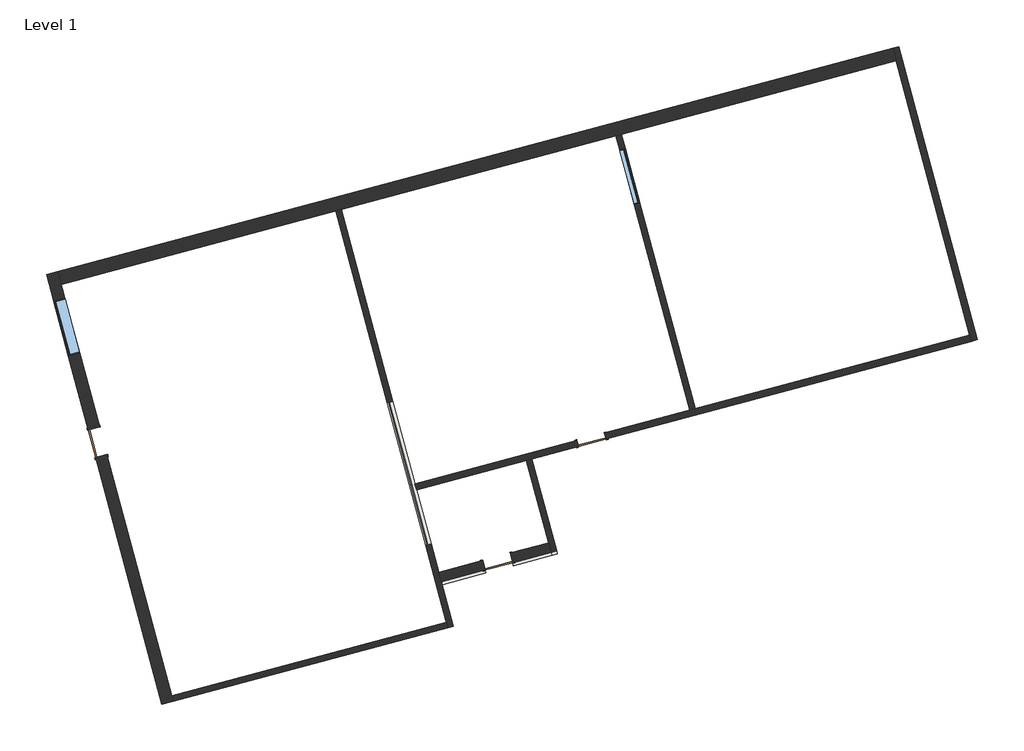
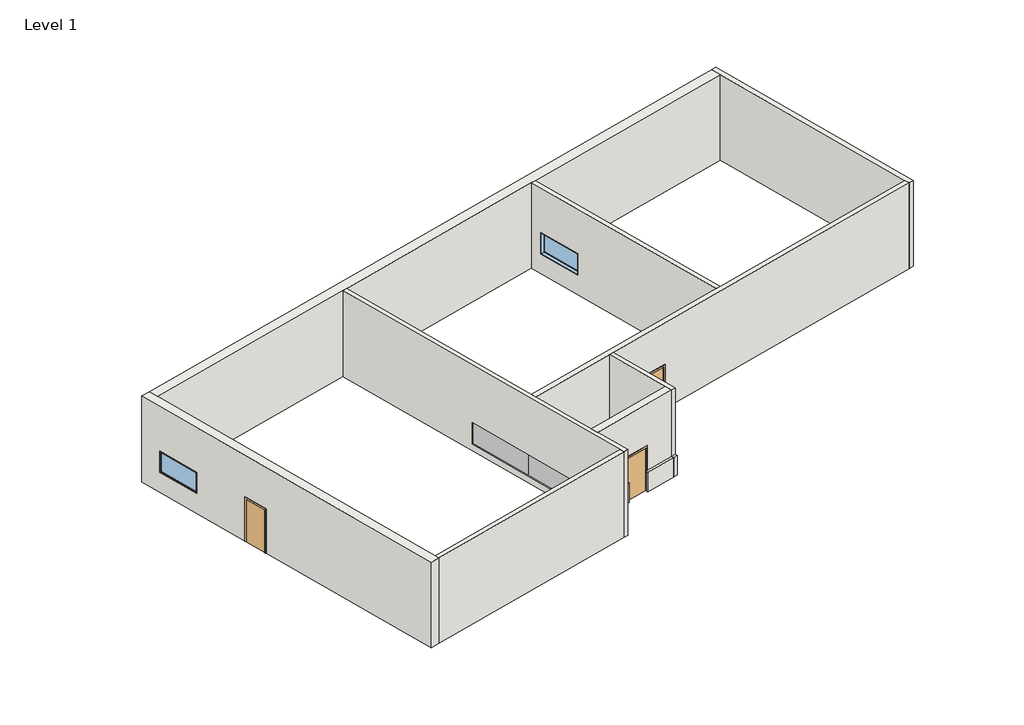
# One storey: 10 walls, 3 doors, 2 plates, 2 windows.
"""IFC4 building model written with IfcOpenShell, lengths in millimetres."""

import ifcopenshell
import ifcopenshell.guid

model = None  # the IFC model being written
_history = None  # IfcOwnerHistory: only IFC2X3 demands one
_inside = {}  # id of a spatial element -> (the spatial element, [elements in it])
_under = {}  # id of a project, library or spatial element -> (it, [spatial elements below it])
_declared = {}  # id of a project -> (the project, [libraries it declares])
_typed = {}  # id of a type object -> (the type object, [elements of that type])
_made_of = {}  # id of a material, layer set ... -> (it, [elements and type objects made of it])


def new_model(schema):
    """Start an empty IFC model of exactly this schema.

    Asked for "IFC4X3", IfcOpenShell would pick the latest addendum, in which some entities
    have other attributes; the version numbers below select the first issue.
    IFC2X3 requires an IfcOwnerHistory on every rooted entity: one is made here for all.
    """
    global model, _history
    if schema == "IFC4X3":
        model = ifcopenshell.file(schema_version=(4, 3, 0, 0))
    else:
        model = ifcopenshell.file(schema=schema)
    _inside.clear()
    _under.clear()
    _declared.clear()
    _typed.clear()
    _made_of.clear()
    _history = None
    if model.schema == "IFC2X3":
        org = make("IfcOrganization", Name="unknown")
        user = make(
            "IfcPersonAndOrganization",
            ThePerson=make("IfcPerson", FamilyName="unknown"),
            TheOrganization=org,
        )
        app = make(
            "IfcApplication",
            ApplicationDeveloper=org,
            Version="unknown",
            ApplicationFullName="unknown",
            ApplicationIdentifier="unknown",
        )
        _history = make(
            "IfcOwnerHistory",
            OwningUser=user,
            OwningApplication=app,
            ChangeAction="ADDED",
            CreationDate=0,
        )
    return model


def make(cls, **values):
    """One entity of the class cls with the attributes given. An attribute that is None is left unset."""
    return model.create_entity(
        cls, **{name: value for name, value in values.items() if value is not None}
    )


def rooted(cls, **values):
    """An entity with a GlobalId (a new one), such as an element, a storey or a relation."""
    return make(cls, GlobalId=ifcopenshell.guid.new(), OwnerHistory=_history, **values)


def si_unit(unit_type, name, prefix=None):
    """IfcSIUnit, for example si_unit("LENGTHUNIT", "METRE", prefix="MILLI")."""
    return make("IfcSIUnit", UnitType=unit_type, Prefix=prefix, Name=name)


def assignment(units):
    """IfcUnitAssignment: the units of a project."""
    return None if units is None else make("IfcUnitAssignment", Units=units)


def point(xyz):
    """IfcCartesianPoint."""
    return None if xyz is None else make("IfcCartesianPoint", Coordinates=xyz)


def direction(xyz):
    """IfcDirection."""
    return None if xyz is None else make("IfcDirection", DirectionRatios=xyz)


def frame(location, z_axis=None, x_axis=None):
    """IfcAxis2Placement3D, a coordinate frame: its origin and axes. An axis left out is left unset."""
    return make(
        "IfcAxis2Placement3D",
        Location=point(location),
        Axis=direction(z_axis),
        RefDirection=direction(x_axis),
    )


def origin():
    """The frame at (0, 0, 0) with its axes left unset."""
    return frame((0.0, 0.0, 0.0))


def origin_with_axes():
    """The frame at (0, 0, 0) with the z axis (0, 0, 1) and the x axis (1, 0, 0) written out."""
    return frame((0.0, 0.0, 0.0), z_axis=(0.0, 0.0, 1.0), x_axis=(1.0, 0.0, 0.0))


def place(relative_to, where):
    """IfcLocalPlacement: puts the frame where relative to a parent placement (None: the world)."""
    return make(
        "IfcLocalPlacement", PlacementRelTo=relative_to, RelativePlacement=where
    )


def context(
    kind, dimensions, precision=None, world=None, true_north=None, identifier=None
):
    """IfcGeometricRepresentationContext, for example the 3D "Model" context."""
    return make(
        "IfcGeometricRepresentationContext",
        ContextIdentifier=identifier,
        ContextType=kind,
        CoordinateSpaceDimension=dimensions,
        Precision=precision,
        WorldCoordinateSystem=world,
        TrueNorth=true_north,
    )


def project(units=None, contexts=None):
    """IfcProject with its units and contexts."""
    return rooted(
        "IfcProject",
        Name="project",
        RepresentationContexts=contexts,
        UnitsInContext=assignment(units),
    )


def spatial(cls, under=None, at=None, **own):
    """A site, building, storey or space (cls), placed at a placement, below another one or the project."""
    s = rooted(cls, ObjectPlacement=at, **own)
    if under is not None:
        _under.setdefault(under.id(), (under, []))[1].append(s)
    return s


def polyline(points):
    """IfcPolyline through the points."""
    return make("IfcPolyline", Points=[point(p) for p in points])


def outline(outer, holes=None, kind="AREA"):
    """IfcArbitraryClosedProfileDef: a profile drawn as a closed curve; with holes, ...WithVoids."""
    if holes is None:
        return make("IfcArbitraryClosedProfileDef", ProfileType=kind, OuterCurve=outer)
    return make(
        "IfcArbitraryProfileDefWithVoids",
        ProfileType=kind,
        OuterCurve=outer,
        InnerCurves=holes,
    )


def extrude(swept, where, along, depth):
    """IfcExtrudedAreaSolid: the profile swept, set in the frame where, extruded along a direction by depth."""
    return make(
        "IfcExtrudedAreaSolid",
        SweptArea=swept,
        Position=where,
        ExtrudedDirection=direction(along),
        Depth=depth,
    )


def faces_of(points, faces, orient=None, outer=None):
    """IfcFace entities. A face is a list of loops; a loop is a list of indices into points, from 0.

    orient and outer hold one flag for each loop. By default every Orientation is true, the
    first loop of a face is its IfcFaceOuterBound and the others are IfcFaceBound.
    """
    made = []
    for i, loops in enumerate(faces):
        bounds = []
        for j, loop in enumerate(loops):
            is_outer = j == 0 if outer is None else outer[i][j]
            bounds.append(
                make(
                    "IfcFaceOuterBound" if is_outer else "IfcFaceBound",
                    Bound=make("IfcPolyLoop", Polygon=[points[k] for k in loop]),
                    Orientation=True if orient is None else orient[i][j],
                )
            )
        made.append(make("IfcFace", Bounds=bounds))
    return made


def faceted_brep(points, faces, orient=None, outer=None, voids=None):
    """IfcFacetedBrep: a solid bounded by flat faces; with voids (closed shells), ...WithVoids."""
    shared = [point(p) for p in points]
    hull = make("IfcClosedShell", CfsFaces=faces_of(shared, faces, orient, outer))
    if voids is None:
        return make("IfcFacetedBrep", Outer=hull)
    return make(
        "IfcFacetedBrepWithVoids",
        Outer=hull,
        Voids=[
            make(cls, CfsFaces=faces_of(shared, fs, o, b)) for cls, fs, o, b in voids
        ],
    )


def shape(context_of_items, identifier, shape_type, items):
    """IfcShapeRepresentation: the items that make up one representation, for example the "Body"."""
    return make(
        "IfcShapeRepresentation",
        ContextOfItems=context_of_items,
        RepresentationIdentifier=identifier,
        RepresentationType=shape_type,
        Items=items,
    )


def source(mapping_origin, context_of_items, identifier, shape_type, items):
    """IfcRepresentationMap: a shape defined once, which mapped items show again and again."""
    return make(
        "IfcRepresentationMap",
        MappingOrigin=mapping_origin,
        MappedRepresentation=shape(context_of_items, identifier, shape_type, items),
    )


def transform(
    local_origin,
    x_axis=None,
    y_axis=None,
    z_axis=None,
    scale=None,
    scale2=None,
    scale3=None,
    uniform=True,
):
    """IfcCartesianTransformationOperator3D, or its non-uniform kind. x_axis, y_axis, z_axis: its Axis1, 2, 3."""
    if uniform:
        return make(
            "IfcCartesianTransformationOperator3D",
            Axis1=direction(x_axis),
            Axis2=direction(y_axis),
            LocalOrigin=point(local_origin),
            Scale=scale,
            Axis3=direction(z_axis),
        )
    return make(
        "IfcCartesianTransformationOperator3DnonUniform",
        Axis1=direction(x_axis),
        Axis2=direction(y_axis),
        LocalOrigin=point(local_origin),
        Scale=scale,
        Axis3=direction(z_axis),
        Scale2=scale2,
        Scale3=scale3,
    )


def mapped(mapping_source, mapping_target):
    """IfcMappedItem: shows the shape of a source again, moved by a transform."""
    return make(
        "IfcMappedItem", MappingSource=mapping_source, MappingTarget=mapping_target
    )


def made_of(thing, what):
    """Note that an element or type object is made of a material, layer set ...; save() writes the relation."""
    if what is not None:
        _made_of.setdefault(what.id(), (what, []))[1].append(thing)
    return thing


def element(
    cls,
    number,
    at=None,
    inside=None,
    cuts=None,
    type_object=None,
    material=None,
    context=None,
    identifier="Body",
    shape_type=None,
    held_by="IfcProductDefinitionShape",
    body=None,
    shapes=None,
    **own,
):
    """One element of the class cls, such as IfcWall. Its Tag is "e" and its number.

    at: its placement. inside: the storey or other place that contains it. cuts: it is an
    opening in that element (IfcRelVoidsElement). A single representation is given by context,
    identifier, shape_type and body (its items); several are given by shapes. held_by: the class
    of the entity that holds the representations. save() writes the other relations.
    """
    e = rooted(cls, Tag="e%d" % number, ObjectPlacement=at, **own)
    if body is not None:
        shapes = [shape(context, identifier, shape_type, body)]
    if shapes is not None:
        e.Representation = make(held_by, Representations=shapes)
    if inside is not None:
        _inside.setdefault(inside.id(), (inside, []))[1].append(e)
    if cuts is not None:
        rooted(
            "IfcRelVoidsElement", RelatingBuildingElement=cuts, RelatedOpeningElement=e
        )
    if type_object is not None:
        _typed.setdefault(type_object.id(), (type_object, []))[1].append(e)
    return made_of(e, material)


def aggregate(whole, parts):
    """IfcRelAggregates: a whole, such as a stair, and the parts it consists of."""
    return rooted("IfcRelAggregates", RelatingObject=whole, RelatedObjects=parts)


def save(model, path):
    """Write the relations noted so far, then the file.

    IfcRelAggregates (storeys below a building ...), IfcRelContainedInSpatialStructure (elements
    in a storey), IfcRelDefinesByType, IfcRelAssociatesMaterial and IfcRelDeclares: one each for
    every whole, place, type object, material and project.
    """
    for whole, parts in _under.values():
        aggregate(whole, parts)
    for where, things in _inside.values():
        rooted(
            "IfcRelContainedInSpatialStructure",
            RelatedElements=things,
            RelatingStructure=where,
        )
    for kind, things in _typed.values():
        rooted("IfcRelDefinesByType", RelatedObjects=things, RelatingType=kind)
    for what, things in _made_of.values():
        rooted("IfcRelAssociatesMaterial", RelatedObjects=things, RelatingMaterial=what)
    for by, libraries in _declared.values():
        rooted("IfcRelDeclares", RelatingContext=by, RelatedDefinitions=libraries)
    model.write(path)


def m_single_flush_1000_x_2000mm_88dce8fb(model_context):
    return source(origin(), model_context, "Body", "SweptSolid", [
        extrude(outline(polyline([(2076.0, -576.0), (0.0, -576.0), (0.0, -500.0), (2000.0, -500.0), (2000.0, 500.0), (0.0, 500.0), (0.0, 576.0), (2076.0, 576.0), (2076.0, -576.0)])), frame((0.0, 207.0, 0.0), z_axis=(0.0, 1.0, 0.0), x_axis=(0.0, 0.0, 1.0)), (0.0, 0.0, 1.0), 25.0),
        extrude(outline(polyline([(2076.0, 576.0), (2076.0, -576.0), (0.0, -576.0), (0.0, -500.0), (2000.0, -500.0), (2000.0, 500.0), (0.0, 500.0), (0.0, 576.0), (2076.0, 576.0)])), frame((0.0, -232.0, 0.0), z_axis=(0.0, 1.0, 0.0), x_axis=(0.0, 0.0, 1.0)), (0.0, 0.0, 1.0), 25.0),
        extrude(outline(polyline([(500.0, 156.0), (-500.0, 156.0), (-500.0, 207.0), (500.0, 207.0), (500.0, 156.0)])), origin_with_axes(), (0.0, 0.0, 1.0), 2000.0),
    ])


def m_single_flush_1000_x_2000mm_004c4a3d(model_context):
    return source(origin(), model_context, "Body", "SweptSolid", [
        extrude(outline(polyline([(2076.0, -576.0), (0.0, -576.0), (0.0, -500.0), (2000.0, -500.0), (2000.0, 500.0), (0.0, 500.0), (0.0, 576.0), (2076.0, 576.0), (2076.0, -576.0)])), frame((0.0, -137.5, 0.0), z_axis=(0.0, 1.0, 0.0), x_axis=(0.0, 0.0, 1.0)), (0.0, 0.0, 1.0), 25.0),
        extrude(outline(polyline([(2076.0, 576.0), (2076.0, -576.0), (0.0, -576.0), (0.0, -500.0), (2000.0, -500.0), (2000.0, 500.0), (0.0, 500.0), (0.0, 576.0), (2076.0, 576.0)])), frame((0.0, 112.5, 0.0), z_axis=(0.0, 1.0, 0.0), x_axis=(0.0, 0.0, 1.0)), (0.0, 0.0, 1.0), 25.0),
        extrude(outline(polyline([(500.0, -61.5), (500.0, -112.5), (-500.0, -112.5), (-500.0, -61.5), (500.0, -61.5)])), origin_with_axes(), (0.0, 0.0, 1.0), 2000.0),
    ])


def m_single_flush_1000_x_2000mm_0030f35c(model_context):
    return source(origin(), model_context, "Body", "SweptSolid", [
        extrude(outline(polyline([(2076.0, -576.0), (0.0, -576.0), (0.0, -500.0), (2000.0, -500.0), (2000.0, 500.0), (0.0, 500.0), (0.0, 576.0), (2076.0, 576.0), (2076.0, -576.0)])), frame((0.0, 175.0, 0.0), z_axis=(0.0, 1.0, 0.0), x_axis=(0.0, 0.0, 1.0)), (0.0, 0.0, 1.0), 25.0),
        extrude(outline(polyline([(2076.0, 576.0), (2076.0, -576.0), (0.0, -576.0), (0.0, -500.0), (2000.0, -500.0), (2000.0, 500.0), (0.0, 500.0), (0.0, 576.0), (2076.0, 576.0)])), frame((0.0, -200.0, 0.0), z_axis=(0.0, 1.0, 0.0), x_axis=(0.0, 0.0, 1.0)), (0.0, 0.0, 1.0), 25.0),
        extrude(outline(polyline([(500.0, 124.0), (-500.0, 124.0), (-500.0, 175.0), (500.0, 175.0), (500.0, 124.0)])), origin_with_axes(), (0.0, 0.0, 1.0), 2000.0),
    ])


def system_panel_glazed_27c984d1(model_context):
    return source(origin(), model_context, "Body", "SweptSolid", [
        extrude(outline(polyline([(1500.0, 24.5), (-1500.0, 24.5), (-1500.0, 49.5), (1500.0, 49.5), (1500.0, 24.5)])), origin_with_axes(), (0.0, 0.0, 1.0), 1000.0),
    ])


def system_panel_glazed_7dea4293(model_context):
    return source(origin(), model_context, "Body", "SweptSolid", [
        extrude(outline(polyline([(1100.0, 24.5), (-1100.0, 24.5), (-1100.0, 49.5), (1100.0, 49.5), (1100.0, 24.5)])), origin_with_axes(), (0.0, 0.0, 1.0), 1000.0),
    ])


def m_fixed_1000_x_2000m_ad9f652f(model_context):
    return source(origin(), model_context, "Body", "SweptSolid", [
        extrude(outline(polyline([(-937.0, -78.0), (-937.0, -66.0), (937.0, -66.0), (937.0, -78.0), (-937.0, -78.0)])), frame((0.0, 0.0, 963.0), z_axis=(0.0, 0.0, 1.0), x_axis=(1.0, 0.0, 0.0)), (0.0, 0.0, 1.0), 874.0),
        extrude(outline(polyline([(1881.0, -981.0), (919.0, -981.0), (919.0, 981.0), (1881.0, 981.0), (1881.0, -981.0)]), holes=[polyline([(1837.0, -937.0), (1837.0, 937.0), (963.0, 937.0), (963.0, -937.0), (1837.0, -937.0)])]), frame((0.0, -94.0, 0.0), z_axis=(0.0, 1.0, 0.0), x_axis=(0.0, 0.0, 1.0)), (0.0, 0.0, 1.0), 44.0),
        extrude(outline(polyline([(1900.0, -1000.0), (900.0, -1000.0), (900.0, 1000.0), (1900.0, 1000.0), (1900.0, -1000.0)]), holes=[polyline([(1881.0, -981.0), (1881.0, 981.0), (919.0, 981.0), (919.0, -981.0), (1881.0, -981.0)])]), frame((0.0, -113.0, 0.0), z_axis=(0.0, 1.0, 0.0), x_axis=(0.0, 0.0, 1.0)), (0.0, 0.0, 1.0), 63.0),
        extrude(outline(polyline([(1900.0, -1000.0), (900.0, -1000.0), (900.0, 1000.0), (1900.0, 1000.0), (1900.0, -1000.0)]), holes=[polyline([(1868.0, -968.0), (1868.0, 968.0), (932.0, 968.0), (932.0, -968.0), (1868.0, -968.0)])]), frame((0.0, -50.0, 0.0), z_axis=(0.0, 1.0, 0.0), x_axis=(0.0, 0.0, 1.0)), (0.0, 0.0, 1.0), 137.0),
    ])


def m_fixed_1000_x_2000m_dd52fbfc(model_context):
    return source(origin(), model_context, "Body", "SweptSolid", [
        extrude(outline(polyline([(-937.0, 185.0), (937.0, 185.0), (937.0, 173.0), (-937.0, 173.0), (-937.0, 185.0)])), frame((0.0, 0.0, 963.0), z_axis=(0.0, 0.0, 1.0), x_axis=(1.0, 0.0, 0.0)), (0.0, 0.0, 1.0), 874.0),
        extrude(outline(polyline([(1881.0, -981.0), (919.0, -981.0), (919.0, 981.0), (1881.0, 981.0), (1881.0, -981.0)]), holes=[polyline([(1837.0, -937.0), (1837.0, 937.0), (963.0, 937.0), (963.0, -937.0), (1837.0, -937.0)])]), frame((0.0, 157.0, 0.0), z_axis=(0.0, 1.0, 0.0), x_axis=(0.0, 0.0, 1.0)), (0.0, 0.0, 1.0), 44.0),
        extrude(outline(polyline([(1900.0, -1000.0), (900.0, -1000.0), (900.0, 1000.0), (1900.0, 1000.0), (1900.0, -1000.0)]), holes=[polyline([(1881.0, -981.0), (1881.0, 981.0), (919.0, 981.0), (919.0, -981.0), (1881.0, -981.0)])]), frame((0.0, 157.0, 0.0), z_axis=(0.0, 1.0, 0.0), x_axis=(0.0, 0.0, 1.0)), (0.0, 0.0, 1.0), 63.0),
        extrude(outline(polyline([(1900.0, -1000.0), (900.0, -1000.0), (900.0, 1000.0), (1900.0, 1000.0), (1900.0, -1000.0)]), holes=[polyline([(1868.0, -968.0), (1868.0, 968.0), (932.0, 968.0), (932.0, -968.0), (1868.0, -968.0)])]), frame((0.0, -194.0, 0.0), z_axis=(0.0, 1.0, 0.0), x_axis=(0.0, 0.0, 1.0)), (0.0, 0.0, 1.0), 351.0),
    ])


model = new_model("IFC4")

# Units and contexts
model_context = context("Model", 3, world=origin())
ifc_project = project(units=[si_unit("LENGTHUNIT", "METRE", prefix="MILLI")], contexts=[model_context])

# Site, building, storey
site = spatial("IfcSite", under=ifc_project)
building = spatial("IfcBuilding", under=site)
storey = spatial("IfcBuildingStorey", under=building, Name="Level 1", Elevation=0.0)

# Doors
placement = place(None, origin())
m_single_flush_1000_x_2000mm_shape = m_single_flush_1000_x_2000mm_88dce8fb(model_context)
element("IfcDoor", 1, ObjectType="M_Single-Flush : 1000 x 2000mm", at=placement, inside=storey, context=model_context, shape_type="MappedRepresentation", body=[
    mapped(m_single_flush_1000_x_2000mm_shape, transform((-22652.3740162, -2533.6962412, 0.0), x_axis=(-0.258819045102514, 0.9659258262890701, 0.0), y_axis=(-0.9659258262890701, -0.258819045102514, 0.0), z_axis=(0.0, 0.0, 1.0))),
])
m_single_flush_1000_x_2000mm_2_shape = m_single_flush_1000_x_2000mm_004c4a3d(model_context)
element("IfcDoor", 2, ObjectType="M_Single-Flush : 1000 x 2000mm", at=placement, inside=storey, context=model_context, shape_type="MappedRepresentation", body=[
    mapped(m_single_flush_1000_x_2000mm_2_shape, transform((-5276.7960744, -2442.9744811, 0.0), x_axis=(0.9659258262890701, 0.258819045102514, 0.0), y_axis=(-0.258819045102514, 0.9659258262890701, 0.0), z_axis=(0.0, 0.0, 1.0))),
])
m_single_flush_1000_x_2000mm_3_shape = m_single_flush_1000_x_2000mm_0030f35c(model_context)
element("IfcDoor", 3, ObjectType="M_Single-Flush : 1000 x 2000mm", at=placement, inside=storey, context=model_context, shape_type="MappedRepresentation", body=[
    mapped(m_single_flush_1000_x_2000mm_3_shape, transform((-8579.4095166, -6731.377529, 0.0), x_axis=(-0.9659258262890701, -0.2588190451025138, 0.0), y_axis=(0.2588190451025138, -0.9659258262890701, 0.0), z_axis=(0.0, 0.0, 1.0))),
])

# Plates
system_panel_glazed_shape = system_panel_glazed_27c984d1(model_context)
element("IfcPlate", 4, ObjectType="System Panel : Glazed", at=placement, inside=storey, context=model_context, shape_type="MappedRepresentation", body=[
    mapped(system_panel_glazed_shape, transform((-11972.6596555, -2567.7428794, 300.0), x_axis=(-0.258819045102514, 0.9659258262890701, 0.0), y_axis=(-0.9659258262890701, -0.258819045102514, 0.0), z_axis=(0.0, 0.0, 1.0))),
])
system_panel_glazed_2_shape = system_panel_glazed_7dea4293(model_context)
element("IfcPlate", 5, ObjectType="System Panel : Glazed", at=placement, inside=storey, context=model_context, shape_type="MappedRepresentation", body=[
    mapped(system_panel_glazed_2_shape, transform((-11299.7301382, -5079.1500278, 300.0), x_axis=(-0.258819045102514, 0.9659258262890701, 0.0), y_axis=(-0.9659258262890701, -0.258819045102514, 0.0), z_axis=(0.0, 0.0, 1.0))),
])

# Walls
element("IfcWall", 6, ObjectType="CW 102-85-215p", at=placement, inside=storey, context=model_context, shape_type="Brep", body=[
    faceted_brep([(-24447.4224372, 3365.7290839, 0.0), (-22981.7301848, -2104.3088704, 0.0), (-22981.7301848, -2104.3088704, 2000.0), (-22722.9111397, -3070.2346966, 2000.0), (-22722.9111397, -3070.2346966, 0.0), (-20394.3161909, -11760.6693558, 0.0), (-20394.3161909, -11760.6693558, 4000.0), (-24447.4224372, 3365.7290839, 4000.0), (-23680.5416065, 503.6908606, 915.0), (-24198.1796968, 2435.5425132, 915.0), (-24198.1796968, 2435.5425132, 1915.0), (-23680.5416065, 503.6908606, 1915.0), (-22581.8368927, -1997.1577857, 2000.0), (-22581.8368927, -1997.1577857, 0.0), (-23928.4723844, 3028.5542885, 0.0), (-24047.5291451, 3472.8801686, 0.0), (-24047.5291451, 3472.8801686, 4000.0), (-23928.4723844, 3028.5542885, 4000.0), (-20046.1867078, -11460.3331058, 4000.0), (-19994.4228988, -11653.5182711, 4000.0), (-19994.4228988, -11653.5182711, 0.0), (-20046.1867078, -11460.3331058, 0.0), (-22323.0178476, -2963.083612, 0.0), (-22323.0178476, -2963.083612, 2000.0), (-23280.6483145, 610.8419453, 915.0), (-23280.6483145, 610.8419453, 1915.0), (-23798.2864047, 2542.6935979, 1915.0), (-23798.2864047, 2542.6935979, 915.0)], [[[0, 1, 2, 3, 4, 5, 6, 7], [8, 9, 10, 11]], [[12, 13, 14, 15, 16, 17, 18, 19, 20, 21, 22, 23], [24, 25, 26, 27]], [[15, 14, 13, 1, 0]], [[22, 21, 20, 5, 4]], [[7, 6, 19, 18, 17, 16]], [[25, 24, 8, 11]], [[26, 25, 11, 10]], [[27, 26, 10, 9]], [[24, 27, 9, 8]], [[0, 7, 16, 15]], [[6, 5, 20, 19]], [[2, 1, 13, 12]], [[3, 2, 12, 23]], [[4, 3, 23, 22]]]),
])
element("IfcWall", 7, ObjectType="Exterior - Block on Mtl. Stud", at=placement, inside=storey, context=model_context, shape_type="Brep", body=[
    faceted_brep([(-23928.4723844, 3028.5542885, 0.0), (-14269.2141215, 5616.7447395, 0.0), (-14076.0289562, 5668.5085485, 0.0), (-4416.7706933, 8256.6989996, 0.0), (-4223.5855281, 8308.4628086, 0.0), (5435.6727348, 10896.6532596, 0.0), (5435.6727348, 10896.6532596, 4000.0), (-4223.5855281, 8308.4628086, 4000.0), (-4416.7706933, 8256.6989996, 4000.0), (-14076.0289562, 5668.5085485, 4000.0), (-14269.2141215, 5616.7447395, 4000.0), (-23928.4723844, 3028.5542885, 4000.0), (-24047.5291451, 3472.8801686, 0.0), (-24047.5291451, 3472.8801686, 4000.0), (5316.6159741, 11340.9791397, 4000.0), (5316.6159741, 11340.9791397, 0.0)], [[[0, 1, 2, 3, 4, 5, 6, 7, 8, 9, 10, 11]], [[12, 13, 14, 15]], [[5, 4, 3, 2, 1, 0, 12, 15]], [[11, 10, 9, 8, 7, 6, 14, 13]], [[6, 5, 15, 14]], [[0, 11, 13, 12]]]),
])
element("IfcWall", 8, ObjectType="Exterior - Block on Mtl. Stud", at=placement, inside=storey, context=model_context, shape_type="Brep", body=[
    faceted_brep([(-10534.090324, -7550.1863842, 900.0), (-10534.090324, -7550.1863842, 0.0), (-8988.6090019, -7136.0759121, 0.0), (-8988.6090019, -7136.0759121, 900.0), (-10653.1470847, -7105.8605041, 0.0), (-10653.1470847, -7105.8605041, 900.0), (-9107.6657627, -6691.750032, 900.0), (-9107.6657627, -6691.750032, 0.0), (-10562.5604189, -7443.9345433, 900.0), (-9017.0790969, -7029.8240712, 900.0)], [[[0, 1, 2, 3]], [[4, 5, 6, 7]], [[1, 4, 7, 2]], [[5, 8, 0, 3, 9, 6]], [[3, 2, 7, 6, 9]], [[1, 0, 8, 5, 4]]]),
    faceted_brep([(-6670.3870188, -6514.9102038, 0.0), (-6670.3870188, -6514.9102038, 900.0), (-8022.6831756, -6877.256867, 900.0), (-8022.6831756, -6877.256867, 0.0), (-6789.4437796, -6070.5843237, 900.0), (-6789.4437796, -6070.5843237, 0.0), (-8141.7399364, -6432.9309869, 0.0), (-8141.7399364, -6432.9309869, 900.0), (-6698.8571138, -6408.6583629, 900.0), (-8051.1532706, -6771.0050261, 900.0)], [[[0, 1, 2, 3]], [[4, 5, 6, 7]], [[5, 0, 3, 6]], [[1, 8, 4, 7, 9, 2]], [[3, 2, 9, 7, 6]], [[1, 0, 5, 4, 8]]]),
])
element("IfcWall", 9, ObjectType="Exterior - Brick on Mtl. Stud", at=placement, inside=storey, context=model_context, shape_type="SweptSolid", body=[
    extrude(outline(polyline([(3999.9999999, -3100.0), (0.0, -3100.0), (0.0, 0.0), (1599.9999999, 0.0), (1599.9999999, -1100.0), (2599.9999999, -1100.0), (2599.9999999, 0.0), (3999.9999999, 0.0), (3999.9999999, -3100.0)])), frame((-10562.5604189, -7443.9345433, 900.0), z_axis=(-0.25881904510251386, 0.9659258262890702, 0.0), x_axis=(0.9659258262890702, 0.25881904510251386, 0.0)), (0.0, 0.0, 1.0), 350.0),
])
element("IfcWall", 10, ObjectType="Generic - 225mm Masonry", at=placement, inside=storey, context=model_context, shape_type="Brep", body=[
    faceted_brep([(8023.8631859, 1237.3949967, 0.0), (-1635.395077, -1350.7954543, 0.0), (-1828.5802423, -1402.5592633, 0.0), (-4822.9503038, -2204.8983031, 0.0), (-4822.9503038, -2204.8983031, 2000.0), (-5788.8761301, -2463.7173482, 2000.0), (-5788.8761301, -2463.7173482, 0.0), (-11487.8385052, -3990.7497143, 0.0), (-11487.8385052, -3990.7497143, 4000.0), (-1828.5802423, -1402.5592633, 4000.0), (-1635.395077, -1350.7954543, 4000.0), (8023.8631859, 1237.3949967, 4000.0), (-4764.7160186, -2422.2316141, 2000.0), (-4764.7160186, -2422.2316141, 0.0), (8082.097471, 1020.0616858, 0.0), (8082.097471, 1020.0616858, 4000.0), (-7372.7157496, -3121.0430358, 4000.0), (-7565.9009149, -3172.8068449, 4000.0), (-11429.60422, -4208.0830253, 4000.0), (-11429.60422, -4208.0830253, 0.0), (-7565.9009149, -3172.8068449, 0.0), (-7372.7157496, -3121.0430358, 0.0), (-5730.6418449, -2681.0506592, 0.0), (-5730.6418449, -2681.0506592, 2000.0)], [[[0, 1, 2, 3, 4, 5, 6, 7, 8, 9, 10, 11]], [[12, 13, 14, 15, 16, 17, 18, 19, 20, 21, 22, 23]], [[14, 13, 3, 2, 1, 0]], [[22, 21, 20, 19, 7, 6]], [[11, 10, 9, 8, 18, 17, 16, 15]], [[8, 7, 19, 18]], [[4, 3, 13, 12]], [[5, 4, 12, 23]], [[6, 5, 23, 22]], [[0, 11, 15, 14]]]),
])
element("IfcWall", 11, ObjectType="Generic - 225mm Masonry", at=placement, inside=storey, context=model_context, shape_type="Brep", body=[
    faceted_brep([(5316.6159741, 11340.9791397, 0.0), (5435.6727348, 10896.6532596, 0.0), (8023.8631859, 1237.3949967, 0.0), (8082.097471, 1020.0616858, 0.0), (8082.097471, 1020.0616858, 4000.0), (8023.8631859, 1237.3949967, 4000.0), (5435.6727348, 10896.6532596, 4000.0), (5316.6159741, 11340.9791397, 4000.0), (5533.949285, 11399.2134249, 0.0), (5533.949285, 11399.2134249, 4000.0), (8299.4307819, 1078.295971, 4000.0), (8299.4307819, 1078.295971, 0.0)], [[[0, 1, 2, 3, 4, 5, 6, 7]], [[8, 9, 10, 11]], [[3, 2, 1, 0, 8, 11]], [[7, 6, 5, 4, 10, 9]], [[0, 7, 9, 8]], [[4, 3, 11, 10]]]),
])
element("IfcWall", 12, ObjectType="Wall1", at=placement, inside=storey, context=model_context, shape_type="Brep", body=[
    faceted_brep([(-10141.9794706, -9013.564011, 0.0), (-10534.090324, -7550.1863842, 0.0), (-10653.1470847, -7105.8605041, 0.0), (-11429.60422, -4208.0830253, 0.0), (-11487.8385052, -3990.7497143, 0.0), (-14076.0289562, 5668.5085485, 0.0), (-14076.0289562, 5668.5085485, 4000.0), (-11487.8385052, -3990.7497143, 4000.0), (-11429.60422, -4208.0830253, 4000.0), (-10653.1470847, -7105.8605041, 4000.0), (-10562.5604189, -7443.9345433, 4000.0), (-10141.9794706, -9013.564011, 4000.0), (-10918.436606, -6115.7865322, 300.0), (-10918.436606, -6115.7865322, 1300.0), (-12264.2956405, -1092.9722355, 1300.0), (-12264.2956405, -1092.9722355, 300.0), (-14269.2141215, 5616.7447395, 0.0), (-10386.9284449, -8872.1426548, 0.0), (-10335.1646359, -9065.3278201, 0.0), (-10335.1646359, -9065.3278201, 4000.0), (-10386.9284449, -8872.1426548, 4000.0), (-14269.2141215, 5616.7447395, 4000.0), (-11111.6217712, -6167.5503412, 1300.0), (-11111.6217712, -6167.5503412, 300.0), (-12457.4808057, -1144.7360445, 300.0), (-12457.4808057, -1144.7360445, 1300.0)], [[[0, 1, 2, 3, 4, 5, 6, 7, 8, 9, 10, 11], [12, 13, 14, 15]], [[16, 17, 18, 19, 20, 21], [22, 23, 24, 25]], [[5, 4, 3, 2, 1, 0, 18, 17, 16]], [[11, 10, 9, 8, 7, 6, 21, 20, 19]], [[12, 23, 22, 13]], [[13, 22, 25, 14]], [[14, 25, 24, 15]], [[23, 12, 15, 24]], [[6, 5, 16, 21]], [[0, 11, 19, 18]]]),
])
element("IfcWall", 13, ObjectType="Wall1", at=placement, inside=storey, context=model_context, shape_type="Brep", body=[
    faceted_brep([(-6477.2018536, -6463.1463948, 0.0), (-7372.7157496, -3121.0430358, 0.0), (-7372.7157496, -3121.0430358, 4000.0), (-6505.6719485, -6356.8945539, 4000.0), (-6505.6719485, -6356.8945539, 900.0), (-6477.2018536, -6463.1463948, 900.0), (-6670.3870188, -6514.9102038, 0.0), (-6670.3870188, -6514.9102038, 900.0), (-6698.8571138, -6408.6583629, 900.0), (-6698.8571138, -6408.6583629, 4000.0), (-6789.4437796, -6070.5843237, 4000.0), (-7565.9009149, -3172.8068449, 4000.0), (-7565.9009149, -3172.8068449, 0.0), (-6789.4437796, -6070.5843237, 0.0)], [[[0, 1, 2, 3, 4, 5]], [[6, 7, 8, 9, 10, 11, 12, 13]], [[1, 0, 6, 13, 12]], [[3, 2, 11, 10, 9]], [[2, 1, 12, 11]], [[4, 8, 7, 5]], [[0, 5, 7, 6]], [[4, 3, 9, 8]]]),
])
element("IfcWall", 14, ObjectType="Wall3", at=placement, inside=storey, context=model_context, shape_type="SweptSolid", body=[
    extrude(outline(polyline([(1299.9999999, 0.0), (11299.9999999, 0.0), (11299.9999999, -4000.0), (1299.9999999, -4000.0), (1299.9999999, 0.0)]), holes=[polyline([(3802.9999999, -915.0), (1803.0, -915.0), (1803.0, -1915.0), (3802.9999999, -1915.0), (3802.9999999, -915.0)])]), frame((-4753.2354519, 9512.4025737, 0.0), z_axis=(0.9659258262890701, 0.258819045102514, 0.0), x_axis=(0.258819045102514, -0.9659258262890701, 0.0)), (0.0, 0.0, 1.0), 200.0),
])
element("IfcWall", 15, ObjectType="Wall4", at=placement, inside=storey, context=model_context, shape_type="SweptSolid", body=[
    extrude(outline(polyline([(-20046.1867078, -11460.3331058), (-10386.9284449, -8872.1426548), (-10335.1646359, -9065.3278201), (-19994.4228988, -11653.5182711), (-20046.1867078, -11460.3331058)])), origin_with_axes(), (0.0, 0.0, 1.0), 4000.0),
])

# Windows
m_fixed_1000_x_2000m_shape = m_fixed_1000_x_2000m_ad9f652f(model_context)
element("IfcWindow", 16, ObjectType="M_Fixed : 1000 x 2000m", at=placement, inside=storey, context=model_context, shape_type="MappedRepresentation", body=[
    mapped(m_fixed_1000_x_2000m_shape, transform((-3943.7301216, 6827.4297396, 15.0), x_axis=(-0.258819045102514, 0.9659258262890701, 0.0), y_axis=(-0.9659258262890701, -0.258819045102514, 0.0), z_axis=(0.0, 0.0, 1.0))),
])
m_fixed_1000_x_2000m_2_shape = m_fixed_1000_x_2000m_dd52fbfc(model_context)
element("IfcWindow", 17, ObjectType="M_Fixed : 1000 x 2000m", at=placement, inside=storey, context=model_context, shape_type="MappedRepresentation", body=[
    mapped(m_fixed_1000_x_2000m_2_shape, transform((-23726.8569699, 1526.5568768, 15.0), x_axis=(-0.258819045102514, 0.9659258262890701, 0.0), y_axis=(-0.9659258262890701, -0.258819045102514, 0.0), z_axis=(0.0, 0.0, 1.0))),
])

save(model, "model.ifc")
